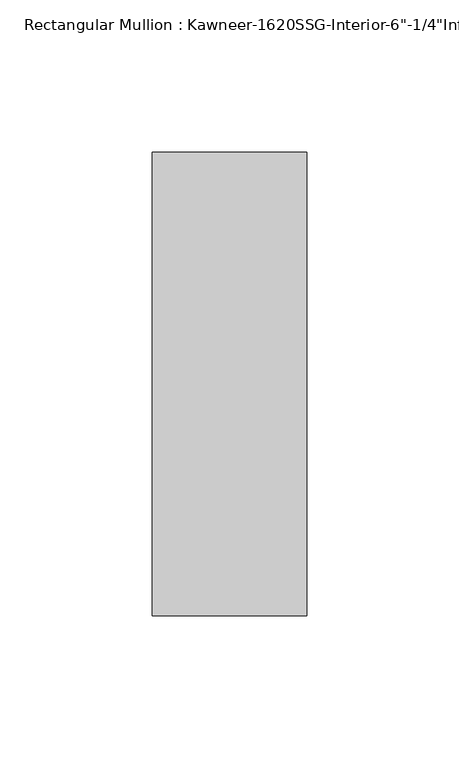
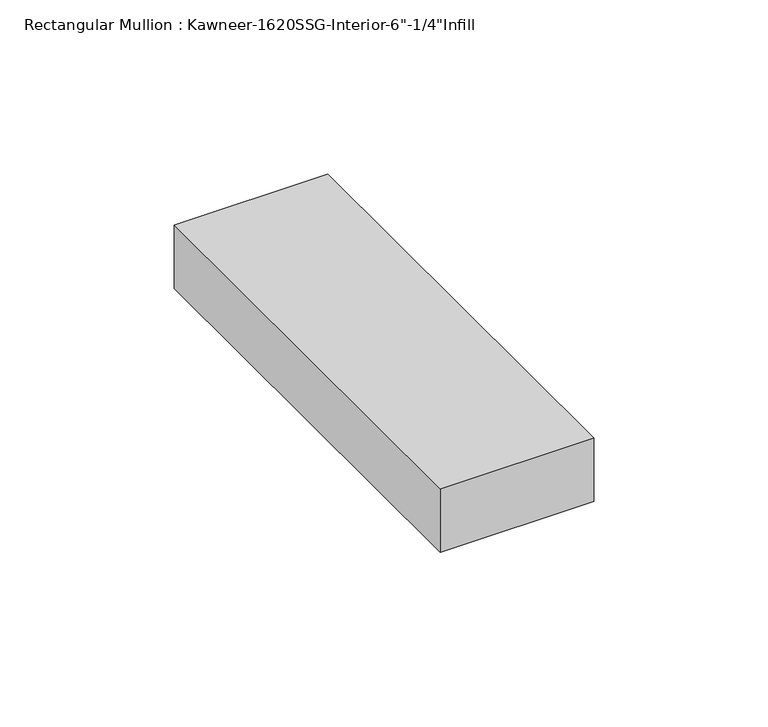
"""IFC4 building model written with IfcOpenShell, lengths in millimetres: member geometry."""

from ifc_helpers import new_model, si_unit, frame, origin, place, context, project, spatial, polyline, outline, extrude, source, transform, mapped, element, save


def member_78461cba(model_context):
    return source(origin(), model_context, "Body", "SweptSolid", [
        extrude(outline(polyline([(25.4, -123.825), (-25.4, -123.825), (-25.4, 28.575), (25.4, 28.575), (25.4, -123.825)])), frame((0.0, 0.0, -22.225), z_axis=(0.0, 0.0, 1.0), x_axis=(1.0, 0.0, 0.0)), (0.0, 0.0, 1.0), 22.225),
    ])


if __name__ == "__main__":
    model = new_model("IFC4")
    model_context = context("Model", 3, world=origin())
    ifc_project = project(units=[si_unit("LENGTHUNIT", "METRE", prefix="MILLI")], contexts=[model_context])
    site = spatial("IfcSite", under=ifc_project)
    building = spatial("IfcBuilding", under=site)
    placement = place(None, origin())
    member_shape = member_78461cba(model_context)
    element("IfcMember", 1, ObjectType="Rectangular Mullion : Kawneer-1620SSG-Interior-6\"-1/4\"Infill", at=placement, inside=building, context=model_context, shape_type="MappedRepresentation", body=[
        mapped(member_shape, transform((0.0, 0.0, 0.0), x_axis=(1.0, 0.0, 0.0), y_axis=(0.0, 1.0, 0.0), z_axis=(0.0, 0.0, 1.0))),
    ])
    save(model, "model.ifc")
